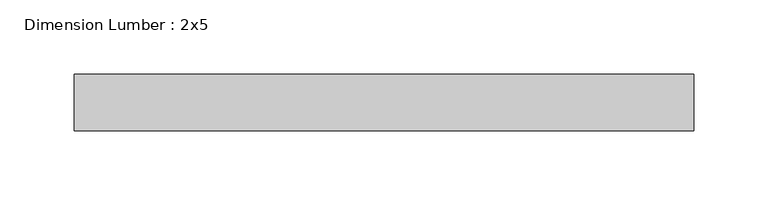
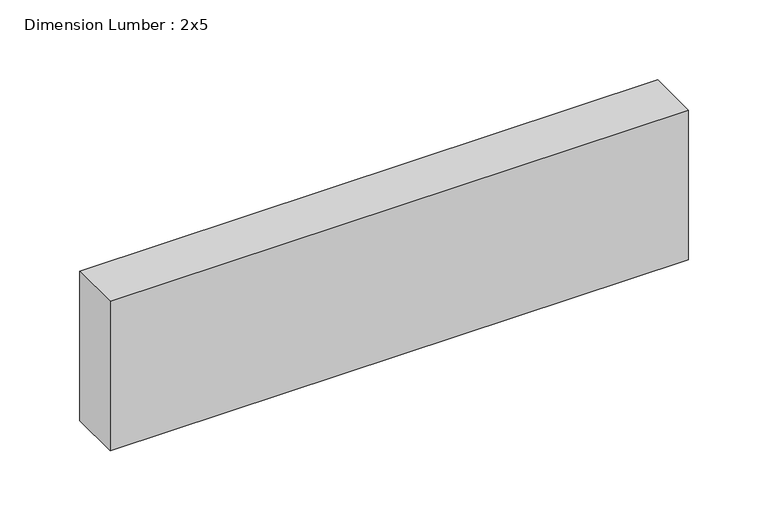
"""IFC4 building model written with IfcOpenShell, lengths in millimetres: beam geometry, Dimension Lumber : 2x5."""

from ifc_helpers import new_model, si_unit, frame, origin, place, context, project, spatial, polyline, outline, extrude, source, transform, mapped, element, save


def dimension_lumber_2x5_14199f49(model_context):
    return source(origin(), model_context, "Body", "SweptSolid", [
        extrude(outline(polyline([(209.0134198, 19.05), (209.0134198, -19.05), (-209.0134198, -19.05), (-209.0134198, 19.05), (209.0134198, 19.05)])), frame((0.0, 0.0, -57.15), z_axis=(0.0, 0.0, 1.0), x_axis=(1.0, 0.0, 0.0)), (0.0, 0.0, 1.0), 114.3),
    ])


if __name__ == "__main__":
    model = new_model("IFC4")
    model_context = context("Model", 3, world=origin())
    ifc_project = project(units=[si_unit("LENGTHUNIT", "METRE", prefix="MILLI")], contexts=[model_context])
    site = spatial("IfcSite", under=ifc_project)
    building = spatial("IfcBuilding", under=site)
    placement = place(None, origin())
    dimension_lumber_2x5_shape = dimension_lumber_2x5_14199f49(model_context)
    element("IfcBeam", 1, ObjectType="Dimension Lumber : 2x5", at=placement, inside=building, context=model_context, shape_type="MappedRepresentation", body=[
        mapped(dimension_lumber_2x5_shape, transform((0.0, 0.0, 0.0), x_axis=(1.0, 0.0, 0.0), y_axis=(0.0, 1.0, 0.0), z_axis=(0.0, 0.0, 1.0))),
    ])
    save(model, "model.ifc")
